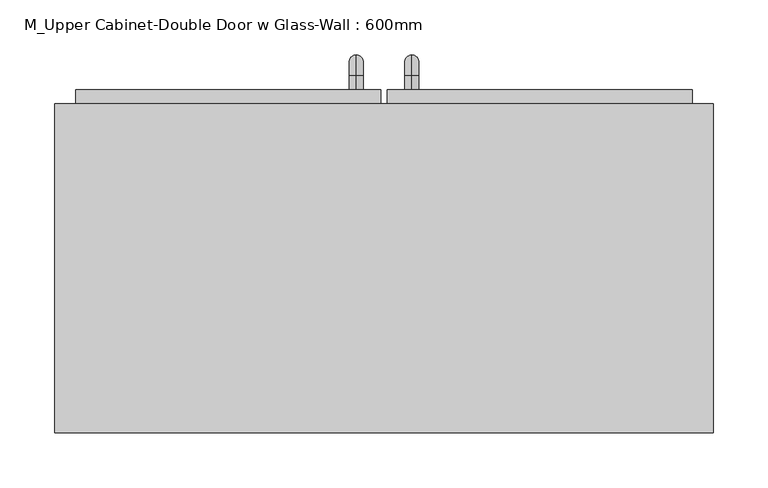
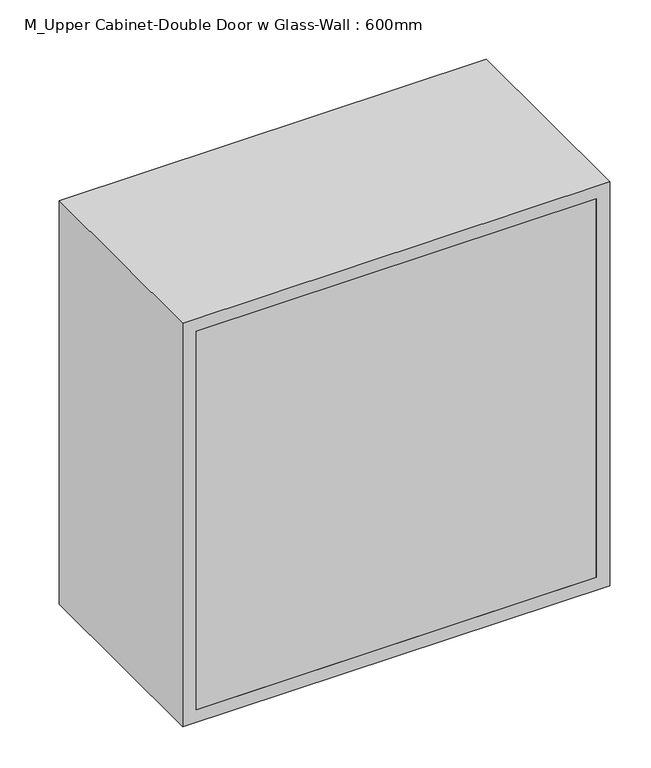
"""IFC4 building model written with IfcOpenShell, lengths in millimetres: furniture geometry, M_Upper Cabinet-Double Door w Glass-Wall : 600mm."""

from ifc_helpers import new_model, si_unit, point, frame, origin, place, context, project, spatial, polyline, circle_curve, ellipse_curve, trimmed, outline, extrude, source, transform, mapped, element, save
from ifc_brep_helpers import plane_surface, cylinder_surface, revolved_surface, advanced_brep


def m_upper_cabinet_double_door_w_glass_wall_600mm_0b7ed25a(model_context):
    return source(origin(), model_context, "Body", "SolidModel", [
        advanced_brep(
        [(55.1711628, 412.7, 1546.05), (55.1711628, 412.7, 1558.75), (55.1711628, 425.4, 1546.05), (55.1711628, 425.4, 1558.75), (55.1711628, 444.45, 1539.7), (55.1711628, 431.75, 1539.7), (55.1711628, 431.75, 1463.5), (55.1711628, 444.45, 1463.5), (55.1711628, 425.4, 1444.45), (55.1711628, 425.4, 1457.15), (55.1711628, 412.7, 1457.15), (55.1711628, 412.7, 1444.45)],
        [
            (0, 1, circle_curve(frame((55.1711628, 412.7, 1552.4), z_axis=(0.0, -1.0, 0.0), x_axis=(0.0, 0.0, -1.0)), 6.35)),
            (1, 0, circle_curve(frame((55.1711628, 412.7, 1552.4), z_axis=(0.0, -1.0, 0.0), x_axis=(0.0, 0.0, -1.0)), 6.35)),
            (0, 2),
            (2, 3, circle_curve(frame((55.1711628, 425.4, 1552.4), z_axis=(0.0, -1.0, 0.0), x_axis=(0.0, 0.0, -1.0)), 6.35)),
            (3, 1),
            (3, 2, circle_curve(frame((55.1711628, 425.4, 1552.4), z_axis=(0.0, -1.0, 0.0), x_axis=(0.0, 0.0, -1.0)), 6.35)),
            (4, 3, circle_curve(frame((55.1711628, 425.4, 1539.7), z_axis=(1.0, 0.0, 0.0), x_axis=(0.0, 0.0, 1.0)), 19.05)),
            (2, 5, circle_curve(frame((55.1711628, 425.4, 1539.7), z_axis=(-1.0, 0.0, 0.0), x_axis=(0.0, 0.0, 1.0)), 6.35)),
            (5, 4, circle_curve(frame((55.1711628, 438.1, 1539.7), z_axis=(0.0, 0.0, 1.0), x_axis=(0.0, -1.0, 0.0)), 6.35)),
            (4, 5, circle_curve(frame((55.1711628, 438.1, 1539.7), z_axis=(0.0, 0.0, 1.0), x_axis=(0.0, -1.0, 0.0)), 6.35)),
            (5, 6),
            (6, 7, circle_curve(frame((55.1711628, 438.1, 1463.5), z_axis=(0.0, 0.0, 1.0), x_axis=(0.0, -1.0, 0.0)), 6.35)),
            (7, 4),
            (7, 6, circle_curve(frame((55.1711628, 438.1, 1463.5), z_axis=(0.0, 0.0, 1.0), x_axis=(0.0, -1.0, 0.0)), 6.35)),
            (8, 7, circle_curve(frame((55.1711628, 425.4, 1463.5), z_axis=(1.0, 0.0, 0.0), x_axis=(0.0, 1.0, 0.0)), 19.05)),
            (6, 9, circle_curve(frame((55.1711628, 425.4, 1463.5), z_axis=(-1.0, 0.0, 0.0), x_axis=(0.0, 1.0, 0.0)), 6.35)),
            (9, 8, circle_curve(frame((55.1711628, 425.4, 1450.8), z_axis=(0.0, 1.0, 0.0), x_axis=(0.0, 0.0, 1.0)), 6.35)),
            (8, 9, circle_curve(frame((55.1711628, 425.4, 1450.8), z_axis=(0.0, 1.0, 0.0), x_axis=(0.0, 0.0, 1.0)), 6.35)),
            (10, 11, circle_curve(frame((55.1711628, 412.7, 1450.8), z_axis=(0.0, -1.0, 0.0), x_axis=(0.0, 0.0, 1.0)), 6.35)),
            (11, 10, circle_curve(frame((55.1711628, 412.7, 1450.8), z_axis=(0.0, -1.0, 0.0), x_axis=(0.0, 0.0, 1.0)), 6.35)),
            (9, 10),
            (11, 8),
        ],
        [
            plane_surface(frame((48.8211628, 412.7, 1552.4), z_axis=(0.0, -1.0, 0.0), x_axis=(0.0, 0.0, 1.0))),
            cylinder_surface(frame((55.1711628, 412.7, 1552.4), z_axis=(0.0, -1.0, 0.0), x_axis=(0.0, 0.0, -1.0)), 6.35),
            revolved_surface(trimmed(ellipse_curve(frame((55.1711628, 425.4, 1552.4), z_axis=(0.0, -1.0, 0.0), x_axis=(0.0, 0.0, -1.0)), 6.35, 6.35), [point((55.1711628, 425.4, 1546.05))], [point((55.1711628, 425.4, 1558.75))], True, "CARTESIAN"), (55.1711628, 425.4, 1539.7), (-1.0, 0.0, 0.0)),
            revolved_surface(trimmed(ellipse_curve(frame((55.1711628, 425.4, 1552.4), z_axis=(0.0, -1.0, 0.0), x_axis=(0.0, 0.0, -1.0)), 6.35, 6.35), [point((55.1711628, 425.4, 1558.75))], [point((55.1711628, 425.4, 1546.05))], True, "CARTESIAN"), (55.1711628, 425.4, 1539.7), (-1.0, 0.0, 0.0)),
            cylinder_surface(frame((55.1711628, 438.1, 1539.7), z_axis=(0.0, 0.0, 1.0), x_axis=(0.0, -1.0, 0.0)), 6.35),
            revolved_surface(trimmed(ellipse_curve(frame((55.1711628, 438.1, 1463.5), z_axis=(0.0, 0.0, 1.0), x_axis=(0.0, -1.0, 0.0)), 6.35, 6.35), [point((55.1711628, 431.75, 1463.5))], [point((55.1711628, 444.45, 1463.5))], True, "CARTESIAN"), (55.1711628, 425.4, 1463.5), (-1.0, 0.0, 0.0)),
            revolved_surface(trimmed(ellipse_curve(frame((55.1711628, 438.1, 1463.5), z_axis=(0.0, 0.0, 1.0), x_axis=(0.0, -1.0, 0.0)), 6.35, 6.35), [point((55.1711628, 444.45, 1463.5))], [point((55.1711628, 431.75, 1463.5))], True, "CARTESIAN"), (55.1711628, 425.4, 1463.5), (-1.0, 0.0, 0.0)),
            plane_surface(frame((48.8211628, 412.7, 1450.8), z_axis=(0.0, -1.0, 0.0), x_axis=(0.0, 0.0, -1.0))),
            cylinder_surface(frame((55.1711628, 425.4, 1450.8), z_axis=(0.0, 1.0, 0.0), x_axis=(0.0, 0.0, 1.0)), 6.35),
        ],
        [
            (0, [[1, 2]]),
            (1, [[-1, 3, 4, 5]]),
            (1, [[-2, -5, 6, -3]]),
            (2, [[7, -4, 8, 9]]),
            (3, [[-8, -6, -7, 10]]),
            (4, [[-9, 11, 12, 13]]),
            (4, [[-10, -13, 14, -11]]),
            (5, [[15, -12, 16, 17]]),
            (6, [[-16, -14, -15, 18]]),
            (7, [[19, 20]]),
            (8, [[-17, 21, -20, 22]]),
            (8, [[-18, -22, -19, -21]]),
        ],
    ),
        advanced_brep(
        [(4.3711628, 412.7, 1546.05), (4.3711628, 412.7, 1558.75), (4.3711628, 425.4, 1546.05), (4.3711628, 425.4, 1558.75), (4.3711628, 444.45, 1539.7), (4.3711628, 431.75, 1539.7), (4.3711628, 431.75, 1463.5), (4.3711628, 444.45, 1463.5), (4.3711628, 425.4, 1444.45), (4.3711628, 425.4, 1457.15), (4.3711628, 412.7, 1457.15), (4.3711628, 412.7, 1444.45)],
        [
            (0, 1, circle_curve(frame((4.3711628, 412.7, 1552.4), z_axis=(0.0, -1.0, 0.0), x_axis=(0.0, 0.0, 1.0)), 6.35)),
            (1, 0, circle_curve(frame((4.3711628, 412.7, 1552.4), z_axis=(0.0, -1.0, 0.0), x_axis=(0.0, 0.0, 1.0)), 6.35)),
            (0, 2),
            (2, 3, circle_curve(frame((4.3711628, 425.4, 1552.4), z_axis=(0.0, -1.0, 0.0), x_axis=(0.0, 0.0, 1.0)), 6.35)),
            (3, 1),
            (3, 2, circle_curve(frame((4.3711628, 425.4, 1552.4), z_axis=(0.0, -1.0, 0.0), x_axis=(0.0, 0.0, 1.0)), 6.35)),
            (4, 3, circle_curve(frame((4.3711628, 425.4, 1539.7), z_axis=(1.0, 0.0, 0.0), x_axis=(0.0, 0.0, 1.0)), 19.05)),
            (2, 5, circle_curve(frame((4.3711628, 425.4, 1539.7), z_axis=(-1.0, 0.0, 0.0), x_axis=(0.0, 0.0, 1.0)), 6.35)),
            (5, 4, circle_curve(frame((4.3711628, 438.1, 1539.7), z_axis=(0.0, 0.0, 1.0), x_axis=(0.0, 1.0, 0.0)), 6.35)),
            (4, 5, circle_curve(frame((4.3711628, 438.1, 1539.7), z_axis=(0.0, 0.0, 1.0), x_axis=(0.0, 1.0, 0.0)), 6.35)),
            (5, 6),
            (6, 7, circle_curve(frame((4.3711628, 438.1, 1463.5), z_axis=(0.0, 0.0, 1.0), x_axis=(0.0, 1.0, 0.0)), 6.35)),
            (7, 4),
            (7, 6, circle_curve(frame((4.3711628, 438.1, 1463.5), z_axis=(0.0, 0.0, 1.0), x_axis=(0.0, 1.0, 0.0)), 6.35)),
            (8, 7, circle_curve(frame((4.3711628, 425.4, 1463.5), z_axis=(1.0, 0.0, 0.0), x_axis=(0.0, 1.0, 0.0)), 19.05)),
            (6, 9, circle_curve(frame((4.3711628, 425.4, 1463.5), z_axis=(-1.0, 0.0, 0.0), x_axis=(0.0, 1.0, 0.0)), 6.35)),
            (9, 8, circle_curve(frame((4.3711628, 425.4, 1450.8), z_axis=(0.0, 1.0, 0.0), x_axis=(0.0, 0.0, -1.0)), 6.35)),
            (8, 9, circle_curve(frame((4.3711628, 425.4, 1450.8), z_axis=(0.0, 1.0, 0.0), x_axis=(0.0, 0.0, -1.0)), 6.35)),
            (10, 11, circle_curve(frame((4.3711628, 412.7, 1450.8), z_axis=(0.0, -1.0, 0.0), x_axis=(0.0, 0.0, -1.0)), 6.35)),
            (11, 10, circle_curve(frame((4.3711628, 412.7, 1450.8), z_axis=(0.0, -1.0, 0.0), x_axis=(0.0, 0.0, -1.0)), 6.35)),
            (9, 10),
            (11, 8),
        ],
        [
            plane_surface(frame((-1.9788372, 412.7, 1552.4), z_axis=(0.0, -1.0, 0.0), x_axis=(0.0, 0.0, 1.0))),
            cylinder_surface(frame((4.3711628, 412.7, 1552.4), z_axis=(0.0, -1.0, 0.0), x_axis=(0.0, 0.0, 1.0)), 6.35),
            revolved_surface(trimmed(ellipse_curve(frame((4.3711628, 425.4, 1552.4), z_axis=(0.0, -1.0, 0.0), x_axis=(0.0, 0.0, 1.0)), 6.35, 6.35), [point((4.3711628, 425.4, 1546.05))], [point((4.3711628, 425.4, 1558.75))], True, "CARTESIAN"), (4.3711628, 425.4, 1539.7), (-1.0, 0.0, 0.0)),
            revolved_surface(trimmed(ellipse_curve(frame((4.3711628, 425.4, 1552.4), z_axis=(0.0, -1.0, 0.0), x_axis=(0.0, 0.0, 1.0)), 6.35, 6.35), [point((4.3711628, 425.4, 1558.75))], [point((4.3711628, 425.4, 1546.05))], True, "CARTESIAN"), (4.3711628, 425.4, 1539.7), (-1.0, 0.0, 0.0)),
            cylinder_surface(frame((4.3711628, 438.1, 1539.7), z_axis=(0.0, 0.0, 1.0), x_axis=(0.0, 1.0, 0.0)), 6.35),
            revolved_surface(trimmed(ellipse_curve(frame((4.3711628, 438.1, 1463.5), z_axis=(0.0, 0.0, 1.0), x_axis=(0.0, 1.0, 0.0)), 6.35, 6.35), [point((4.3711628, 431.75, 1463.5))], [point((4.3711628, 444.45, 1463.5))], True, "CARTESIAN"), (4.3711628, 425.4, 1463.5), (-1.0, 0.0, 0.0)),
            revolved_surface(trimmed(ellipse_curve(frame((4.3711628, 438.1, 1463.5), z_axis=(0.0, 0.0, 1.0), x_axis=(0.0, 1.0, 0.0)), 6.35, 6.35), [point((4.3711628, 444.45, 1463.5))], [point((4.3711628, 431.75, 1463.5))], True, "CARTESIAN"), (4.3711628, 425.4, 1463.5), (-1.0, 0.0, 0.0)),
            plane_surface(frame((-1.9788372, 412.7, 1450.8), z_axis=(0.0, -1.0, 0.0), x_axis=(0.0, 0.0, -1.0))),
            cylinder_surface(frame((4.3711628, 425.4, 1450.8), z_axis=(0.0, 1.0, 0.0), x_axis=(0.0, 0.0, -1.0)), 6.35),
        ],
        [
            (0, [[1, 2]]),
            (1, [[-1, 3, 4, 5]]),
            (1, [[-2, -5, 6, -3]]),
            (2, [[7, -4, 8, 9]]),
            (3, [[-8, -6, -7, 10]]),
            (4, [[-9, 11, 12, 13]]),
            (4, [[-10, -13, 14, -11]]),
            (5, [[15, -12, 16, 17]]),
            (6, [[-16, -14, -15, 18]]),
            (7, [[19, 20]]),
            (8, [[-17, 21, -20, 22]]),
            (8, [[-18, -22, -19, -21]]),
        ],
    ),
        extrude(outline(polyline([(64.6961628, 393.65), (278.9711628, 393.65), (278.9711628, 387.3), (64.6961628, 387.3), (64.6961628, 393.65)])), frame((0.0, 0.0, 1450.8), z_axis=(0.0, 0.0, 1.0), x_axis=(1.0, 0.0, 0.0)), (0.0, 0.0, 1.0), 498.4),
        extrude(outline(polyline([(-219.4288372, 393.65), (-5.1538372, 393.65), (-5.1538372, 387.3), (-219.4288372, 387.3), (-219.4288372, 393.65)])), frame((0.0, 0.0, 1450.8), z_axis=(0.0, 0.0, 1.0), x_axis=(1.0, 0.0, 0.0)), (0.0, 0.0, 1.0), 498.4),
        extrude(outline(polyline([(1980.95, 32.9461628), (1419.05, 32.9461628), (1419.05, 310.7211628), (1980.95, 310.7211628), (1980.95, 32.9461628)]), holes=[polyline([(1450.8, 64.6961628), (1949.2, 64.6961628), (1949.2, 278.9711628), (1450.8, 278.9711628), (1450.8, 64.6961628)])]), frame((0.0, 380.95, 0.0), z_axis=(0.0, 1.0, 0.0), x_axis=(0.0, 0.0, 1.0)), (0.0, 0.0, 1.0), 31.75),
        extrude(outline(polyline([(1419.05, -251.1788372), (1419.05, 26.5961628), (1980.95, 26.5961628), (1980.95, -251.1788372), (1419.05, -251.1788372)]), holes=[polyline([(1949.2, -5.1538372), (1450.8, -5.1538372), (1450.8, -219.4288372), (1949.2, -219.4288372), (1949.2, -5.1538372)])]), frame((0.0, 380.95, 0.0), z_axis=(0.0, 1.0, 0.0), x_axis=(0.0, 0.0, 1.0)), (0.0, 0.0, 1.0), 31.75),
        extrude(outline(polyline([(310.7211628, 100.0), (-251.1788372, 100.0), (-251.1788372, 119.05), (310.7211628, 119.05), (310.7211628, 100.0)])), frame((0.0, 0.0, 1419.05), z_axis=(0.0, 0.0, 1.0), x_axis=(1.0, 0.0, 0.0)), (0.0, 0.0, 1.0), 561.9),
        extrude(outline(polyline([(2000.0, -270.2288372), (1400.0, -270.2288372), (1400.0, 329.7711628), (2000.0, 329.7711628), (2000.0, -270.2288372)]), holes=[polyline([(1980.95, -251.1788372), (1980.95, 310.7211628), (1419.05, 310.7211628), (1419.05, -251.1788372), (1980.95, -251.1788372)])]), frame((0.0, 100.0, 0.0), z_axis=(0.0, 1.0, 0.0), x_axis=(0.0, 0.0, 1.0)), (0.0, 0.0, 1.0), 300.0),
    ])


if __name__ == "__main__":
    model = new_model("IFC4")
    model_context = context("Model", 3, world=origin())
    ifc_project = project(units=[si_unit("LENGTHUNIT", "METRE", prefix="MILLI")], contexts=[model_context])
    site = spatial("IfcSite", under=ifc_project)
    building = spatial("IfcBuilding", under=site)
    placement = place(None, origin())
    m_upper_cabinet_double_door_w_glass_wall_600mm_shape = m_upper_cabinet_double_door_w_glass_wall_600mm_0b7ed25a(model_context)
    element("IfcFurniture", 1, ObjectType="M_Upper Cabinet-Double Door w Glass-Wall : 600mm", at=placement, inside=building, context=model_context, shape_type="MappedRepresentation", body=[
        mapped(m_upper_cabinet_double_door_w_glass_wall_600mm_shape, transform((0.0, 0.0, 0.0), x_axis=(1.0, 0.0, 0.0), y_axis=(0.0, 1.0, 0.0), z_axis=(0.0, 0.0, 1.0))),
    ])
    save(model, "model.ifc")
